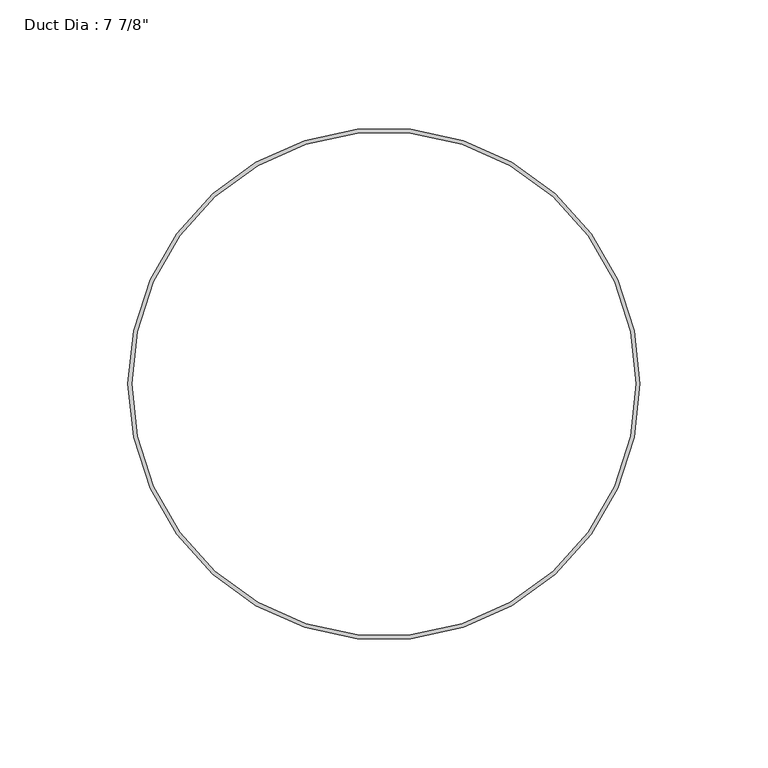
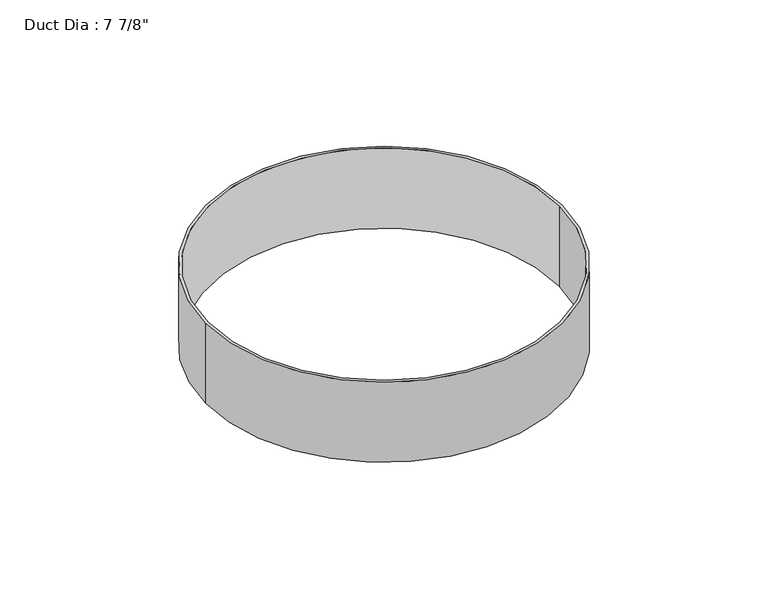
"""IFC4 building model written with IfcOpenShell, lengths in millimetres: proxy geometry."""

from ifc_helpers import new_model, si_unit, point, origin, origin_with_axes, origin_2d, place, context, project, spatial, circle_curve, trimmed, segment, composite_curve, outline, extrude, source, transform, mapped, element, save


def proxy_dd058292(model_context):
    return source(origin(), model_context, "Body", "SweptSolid", [
        extrude(outline(composite_curve([segment(trimmed(circle_curve(origin_2d(), 100.0125), [point((-100.0125, 0.0))], [point((100.0125, 0.0))], False, "CARTESIAN"), True, "CONTINUOUS"), segment(trimmed(circle_curve(origin_2d(), 100.0125), [point((100.0125, 0.0))], [point((-100.0125, 0.0))], False, "CARTESIAN"), True, "CONTINUOUS")], self_intersect=False), holes=[composite_curve([segment(trimmed(circle_curve(origin_2d(), 98.425), [point((-98.425, 0.0))], [point((98.425, 0.0))], True, "CARTESIAN"), True, "CONTINUOUS"), segment(trimmed(circle_curve(origin_2d(), 98.425), [point((98.425, 0.0))], [point((-98.425, 0.0))], True, "CARTESIAN"), True, "CONTINUOUS")], self_intersect=False)]), origin_with_axes(), (0.0, 0.0, 1.0), 47.625),
    ])


if __name__ == "__main__":
    model = new_model("IFC4")
    model_context = context("Model", 3, world=origin())
    ifc_project = project(units=[si_unit("LENGTHUNIT", "METRE", prefix="MILLI")], contexts=[model_context])
    site = spatial("IfcSite", under=ifc_project)
    building = spatial("IfcBuilding", under=site)
    placement = place(None, origin())
    proxy_shape = proxy_dd058292(model_context)
    element("IfcBuildingElementProxy", 1, Name="Duct Dia : 7 7/8\"", ObjectType="Duct Dia : 7 7/8\"", at=placement, inside=building, context=model_context, shape_type="MappedRepresentation", body=[
        mapped(proxy_shape, transform((0.0, 0.0, 0.0), x_axis=(1.0, 0.0, 0.0), y_axis=(0.0, 1.0, 0.0), z_axis=(0.0, 0.0, 1.0))),
    ])
    save(model, "model.ifc")
